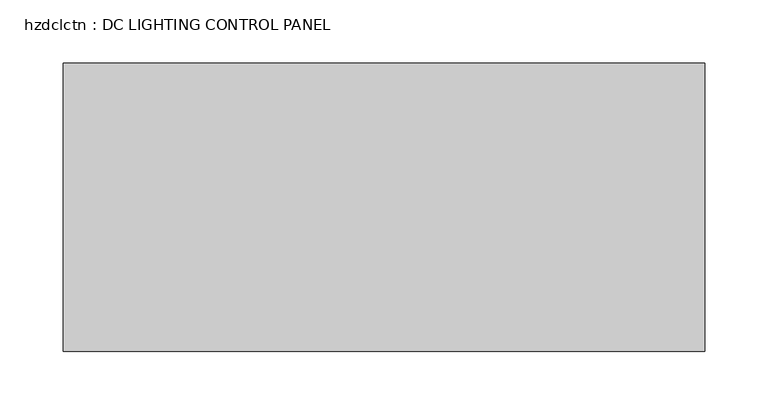
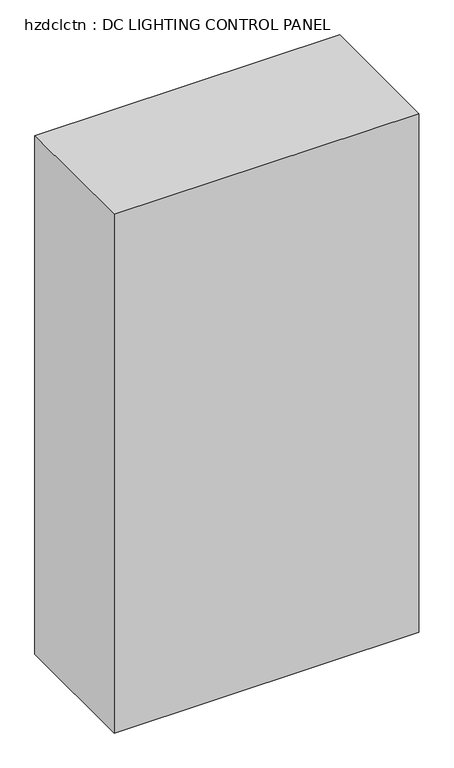
"""IFC4 building model written with IfcOpenShell, lengths in millimetres: proxy geometry, hzdclctn : DC LIGHTING CONTROL PANEL."""

from ifc_helpers import new_model, si_unit, frame, origin, place, context, project, spatial, polyline, outline, extrude, source, transform, mapped, element, save


def hzdclctn_dc_lighting_control_panel_64b5b194(model_context):
    return source(origin(), model_context, "Body", "SweptSolid", [
        extrude(outline(polyline([(-74.5036378, -626.0249791), (433.4963622, -626.0249791), (433.4963622, -854.6249791), (-74.5036378, -854.6249791), (-74.5036378, -626.0249791)])), frame((0.0, 0.0, 1066.8), z_axis=(0.0, 0.0, 1.0), x_axis=(1.0, 0.0, 0.0)), (0.0, 0.0, 1.0), 914.4),
    ])


if __name__ == "__main__":
    model = new_model("IFC4")
    model_context = context("Model", 3, world=origin())
    ifc_project = project(units=[si_unit("LENGTHUNIT", "METRE", prefix="MILLI")], contexts=[model_context])
    site = spatial("IfcSite", under=ifc_project)
    building = spatial("IfcBuilding", under=site)
    placement = place(None, origin())
    hzdclctn_dc_lighting_control_panel_shape = hzdclctn_dc_lighting_control_panel_64b5b194(model_context)
    element("IfcBuildingElementProxy", 1, Name="hzdclctn : DC LIGHTING CONTROL PANEL", ObjectType="hzdclctn : DC LIGHTING CONTROL PANEL", at=placement, inside=building, context=model_context, shape_type="MappedRepresentation", body=[
        mapped(hzdclctn_dc_lighting_control_panel_shape, transform((0.0, 0.0, 0.0), x_axis=(1.0, 0.0, 0.0), y_axis=(0.0, 1.0, 0.0), z_axis=(0.0, 0.0, 1.0))),
    ])
    save(model, "model.ifc")
